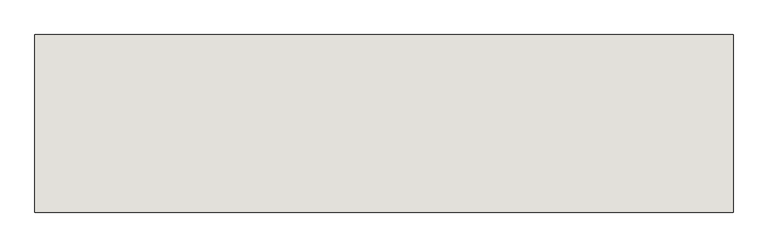
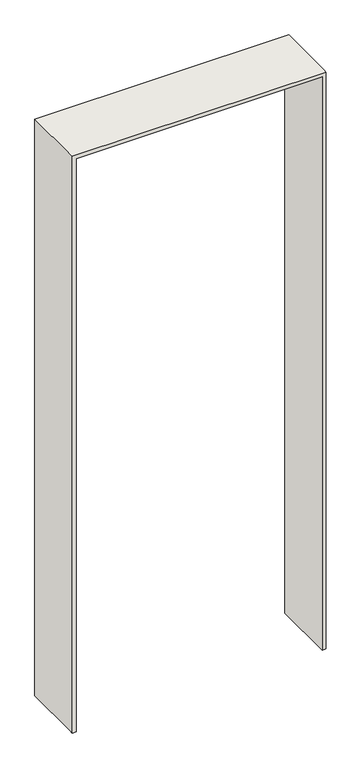
"""IFC4 building model written with IfcOpenShell, lengths in millimetres: wall geometry."""

from ifc_helpers import new_model, si_unit, origin, place, context, project, spatial, faceted_brep, source, transform, mapped, element, save


def wall_f44061b2(model_context):
    return source(origin(), model_context, "Body", "Brep", [
        faceted_brep([(-3642.9272493, 3910.284763, 0.0), (-3642.9272493, 3655.284763, 0.0), (-3657.9272493, 3655.284763, 0.0), (-3657.9272493, 3670.284763, 0.0), (-3657.9272493, 3910.284763, 0.0), (-3642.9272493, 3910.284763, 2385.0), (-3642.9272493, 3655.284763, 2385.0), (-2672.9272493, 3655.284763, 2385.0), (-2672.9272493, 3655.284763, 0.0), (-2657.9272493, 3655.284763, 0.0), (-2657.9272493, 3655.284763, 2400.0), (-3657.9272493, 3655.284763, 2400.0), (-3657.9272493, 3670.284763, 2400.0), (-3657.9272493, 3910.284763, 2400.0), (-2657.9272493, 3910.284763, 2400.0), (-2657.9272493, 3910.284763, 0.0), (-2672.9272493, 3910.284763, 0.0), (-2672.9272493, 3910.284763, 2385.0), (-2657.9272493, 3670.284763, 2400.0), (-2657.9272493, 3670.284763, 0.0)], [[[0, 1, 2, 3, 4]], [[1, 0, 5, 6]], [[2, 1, 6, 7, 8, 9, 10, 11]], [[4, 3, 2, 11, 12, 13]], [[0, 4, 13, 14, 15, 16, 17, 5]], [[6, 5, 17, 7]], [[13, 12, 11, 10, 18, 14]], [[16, 15, 19, 9, 8]], [[7, 17, 16, 8]], [[14, 18, 10, 9, 19, 15]]]),
    ])


if __name__ == "__main__":
    model = new_model("IFC4")
    model_context = context("Model", 3, world=origin())
    ifc_project = project(units=[si_unit("LENGTHUNIT", "METRE", prefix="MILLI")], contexts=[model_context])
    site = spatial("IfcSite", under=ifc_project)
    building = spatial("IfcBuilding", under=site)
    placement = place(None, origin())
    wall_shape = wall_f44061b2(model_context)
    element("IfcWall", 1, at=placement, inside=building, context=model_context, shape_type="MappedRepresentation", body=[
        mapped(wall_shape, transform((0.0, 0.0, 0.0), x_axis=(1.0, 0.0, 0.0), y_axis=(0.0, 1.0, 0.0), z_axis=(0.0, 0.0, 1.0))),
    ])
    save(model, "model.ifc")
